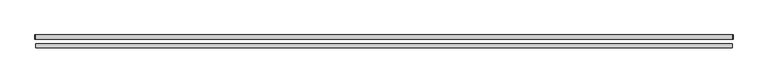
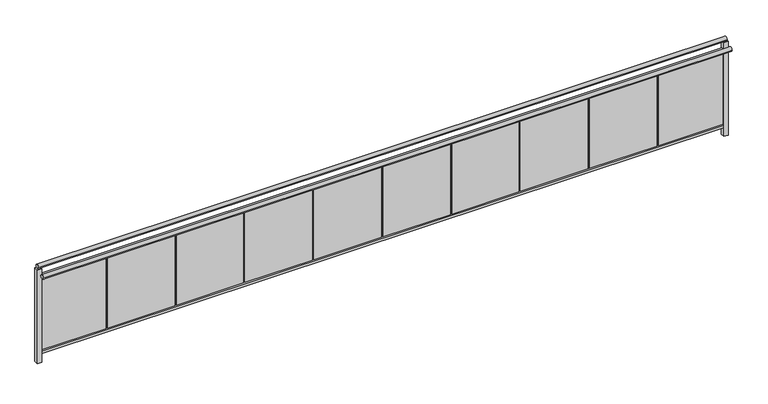
"""IFC4 building model written with IfcOpenShell, lengths in millimetres: railing geometry."""

from ifc_helpers import new_model, si_unit, point, frame, frame_2d, origin, origin_with_axes, place, context, project, spatial, polyline, circle_curve, trimmed, segment, composite_curve, outline, extrude, source, transform, mapped, element, save


def railing_9d303308(model_context):
    return source(origin(), model_context, "Body", "SweptSolid", [
        extrude(outline(composite_curve([segment(trimmed(circle_curve(frame_2d((34374.5105949, 895.35)), 19.05), [point((34355.4605949, 895.35))], [point((34393.5605949, 895.35))], False, "CARTESIAN"), True, "CONTINUOUS"), segment(trimmed(circle_curve(frame_2d((34374.5105949, 895.35)), 19.05), [point((34393.5605949, 895.35))], [point((34355.4605949, 895.35))], False, "CARTESIAN"), True, "CONTINUOUS")], self_intersect=False)), frame((-47698.5053232, 0.0, 0.0), z_axis=(1.0, 0.0, 0.0), x_axis=(0.0, 1.0, 0.0)), (0.0, 0.0, 1.0), 6096.0),
        extrude(outline(composite_curve([segment(trimmed(circle_curve(frame_2d((34298.3105949, 844.55)), 19.05), [point((34279.2605949, 844.55))], [point((34317.3605949, 844.55))], False, "CARTESIAN"), True, "CONTINUOUS"), segment(trimmed(circle_curve(frame_2d((34298.3105949, 844.55)), 19.05), [point((34317.3605949, 844.55))], [point((34279.2605949, 844.55))], False, "CARTESIAN"), True, "CONTINUOUS")], self_intersect=False)), frame((-47698.5053232, 0.0, 0.0), z_axis=(1.0, 0.0, 0.0), x_axis=(0.0, 1.0, 0.0)), (0.0, 0.0, 1.0), 6096.0),
        extrude(outline(polyline([(-41602.5053232, 34387.2105949), (-41602.5053232, 34361.8105949), (-47698.5053232, 34361.8105949), (-47698.5053232, 34387.2105949), (-41602.5053232, 34387.2105949)])), frame((0.0, 0.0, 787.4), z_axis=(0.0, 0.0, 1.0), x_axis=(1.0, 0.0, 0.0)), (0.0, 0.0, 1.0), 25.4),
        extrude(outline(polyline([(-41602.5053232, 34387.2105949), (-41602.5053232, 34361.8105949), (-47698.5053232, 34361.8105949), (-47698.5053232, 34387.2105949), (-41602.5053232, 34387.2105949)])), frame((0.0, 0.0, 76.2), z_axis=(0.0, 0.0, 1.0), x_axis=(1.0, 0.0, 0.0)), (0.0, 0.0, 1.0), 25.4),
        extrude(outline(polyline([(-47095.2553232, 34368.1605949), (-47692.1553232, 34368.1605949), (-47692.1553232, 34374.5105949), (-47095.2553232, 34374.5105949), (-47095.2553232, 34368.1605949)])), frame((0.0, 0.0, 107.95), z_axis=(0.0, 0.0, 1.0), x_axis=(1.0, 0.0, 0.0)), (0.0, 0.0, 1.0), 673.1),
        extrude(outline(polyline([(-46485.6553232, 34368.1605949), (-47082.5553232, 34368.1605949), (-47082.5553232, 34374.5105949), (-46485.6553232, 34374.5105949), (-46485.6553232, 34368.1605949)])), frame((0.0, 0.0, 107.95), z_axis=(0.0, 0.0, 1.0), x_axis=(1.0, 0.0, 0.0)), (0.0, 0.0, 1.0), 673.1),
        extrude(outline(polyline([(-45876.0553232, 34368.1605949), (-46472.9553232, 34368.1605949), (-46472.9553232, 34374.5105949), (-45876.0553232, 34374.5105949), (-45876.0553232, 34368.1605949)])), frame((0.0, 0.0, 107.95), z_axis=(0.0, 0.0, 1.0), x_axis=(1.0, 0.0, 0.0)), (0.0, 0.0, 1.0), 673.1),
        extrude(outline(polyline([(-45266.4553232, 34368.1605949), (-45863.3553232, 34368.1605949), (-45863.3553232, 34374.5105949), (-45266.4553232, 34374.5105949), (-45266.4553232, 34368.1605949)])), frame((0.0, 0.0, 107.95), z_axis=(0.0, 0.0, 1.0), x_axis=(1.0, 0.0, 0.0)), (0.0, 0.0, 1.0), 673.1),
        extrude(outline(polyline([(-44656.8553232, 34368.1605949), (-45253.7553232, 34368.1605949), (-45253.7553232, 34374.5105949), (-44656.8553232, 34374.5105949), (-44656.8553232, 34368.1605949)])), frame((0.0, 0.0, 107.95), z_axis=(0.0, 0.0, 1.0), x_axis=(1.0, 0.0, 0.0)), (0.0, 0.0, 1.0), 673.1),
        extrude(outline(polyline([(-44047.2553232, 34368.1605949), (-44644.1553232, 34368.1605949), (-44644.1553232, 34374.5105949), (-44047.2553232, 34374.5105949), (-44047.2553232, 34368.1605949)])), frame((0.0, 0.0, 107.95), z_axis=(0.0, 0.0, 1.0), x_axis=(1.0, 0.0, 0.0)), (0.0, 0.0, 1.0), 673.1),
        extrude(outline(polyline([(-43437.6553232, 34368.1605949), (-44034.5553232, 34368.1605949), (-44034.5553232, 34374.5105949), (-43437.6553232, 34374.5105949), (-43437.6553232, 34368.1605949)])), frame((0.0, 0.0, 107.95), z_axis=(0.0, 0.0, 1.0), x_axis=(1.0, 0.0, 0.0)), (0.0, 0.0, 1.0), 673.1),
        extrude(outline(polyline([(-42828.0553232, 34368.1605949), (-43424.9553232, 34368.1605949), (-43424.9553232, 34374.5105949), (-42828.0553232, 34374.5105949), (-42828.0553232, 34368.1605949)])), frame((0.0, 0.0, 107.95), z_axis=(0.0, 0.0, 1.0), x_axis=(1.0, 0.0, 0.0)), (0.0, 0.0, 1.0), 673.1),
        extrude(outline(polyline([(-42218.4553232, 34368.1605949), (-42815.3553232, 34368.1605949), (-42815.3553232, 34374.5105949), (-42218.4553232, 34374.5105949), (-42218.4553232, 34368.1605949)])), frame((0.0, 0.0, 107.95), z_axis=(0.0, 0.0, 1.0), x_axis=(1.0, 0.0, 0.0)), (0.0, 0.0, 1.0), 673.1),
        extrude(outline(polyline([(-41608.8553232, 34368.1605949), (-42205.7553232, 34368.1605949), (-42205.7553232, 34374.5105949), (-41608.8553232, 34374.5105949), (-41608.8553232, 34368.1605949)])), frame((0.0, 0.0, 107.95), z_axis=(0.0, 0.0, 1.0), x_axis=(1.0, 0.0, 0.0)), (0.0, 0.0, 1.0), 673.1),
        extrude(outline(polyline([(-47669.9303232, 34393.5605949), (-47669.9303232, 34355.4605949), (-47708.0303232, 34355.4605949), (-47708.0303232, 34393.5605949), (-47669.9303232, 34393.5605949)])), origin_with_axes(), (0.0, 0.0, 1.0), 876.3),
        extrude(outline(polyline([(-41592.9803232, 34393.5605949), (-41592.9803232, 34355.4605949), (-41631.0803232, 34355.4605949), (-41631.0803232, 34393.5605949), (-41592.9803232, 34393.5605949)])), origin_with_axes(), (0.0, 0.0, 1.0), 876.3),
    ])


if __name__ == "__main__":
    model = new_model("IFC4")
    model_context = context("Model", 3, world=origin())
    ifc_project = project(units=[si_unit("LENGTHUNIT", "METRE", prefix="MILLI")], contexts=[model_context])
    site = spatial("IfcSite", under=ifc_project)
    building = spatial("IfcBuilding", under=site)
    placement = place(None, origin())
    railing_shape = railing_9d303308(model_context)
    element("IfcRailing", 1, at=placement, inside=building, context=model_context, shape_type="MappedRepresentation", body=[
        mapped(railing_shape, transform((0.0, 0.0, 0.0), x_axis=(1.0, 0.0, 0.0), y_axis=(0.0, 1.0, 0.0), z_axis=(0.0, 0.0, 1.0))),
    ])
    save(model, "model.ifc")
